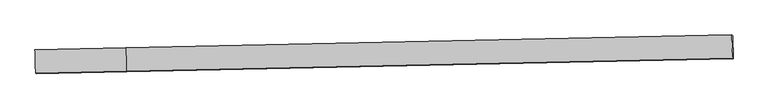
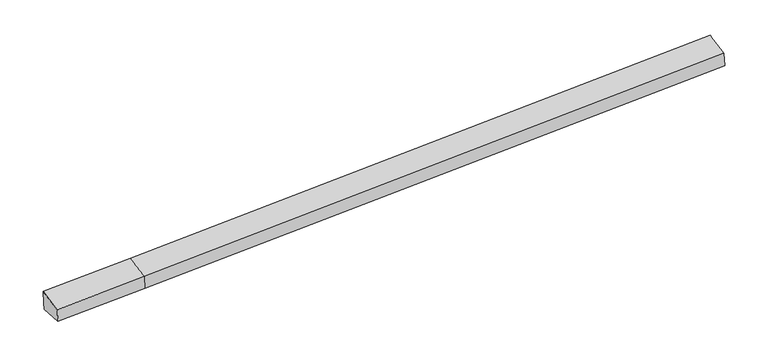
"""IFC4 building model written with IfcOpenShell, lengths in millimetres: proxy geometry."""

from ifc_helpers import new_model, si_unit, frame, origin, place, context, project, spatial, source, transform, mapped, element, save
from ifc_brep_helpers import plane_surface, spline_surface, advanced_brep


def generic_models_4d2af281(model_context):
    return source(origin(), model_context, "Body", "AdvancedBrep", [
        advanced_brep(
        [(-7903.0981588, -2098.3450672, 1864.3392288), (-7887.589825, -2111.4118995, 1481.8644322), (-5157.3207061, -2051.7731271, 1583.5094638), (-5172.7070811, -2038.8090534, 1962.9764482), (-7901.6746122, -1401.9852383, 1457.0565471), (-5171.2071159, -1352.3383907, 1559.0509856), (-7909.570252, -1395.3326215, 1651.783026), (-5179.5076603, -1345.3446141, 1763.7634378), (-7925.5327594, -1381.8831168, 2045.4588958), (-5194.8299362, -1332.4345484, 2141.6495742), (13041.2526327, -952.6796129, 2454.194987), (13025.0766226, -939.0502176, 2853.1363742), (13047.0182626, -1636.7563647, 2674.3890346), (13063.432557, -1650.5865307, 2269.5709551), (13049.7180916, -959.8123412, 2245.4153269)],
        [
            (0, 1),
            (1, 2),
            (2, 3),
            (3, 0),
            (1, 4),
            (4, 5),
            (5, 1),
            (4, 6),
            (6, 7),
            (7, 5),
            (6, 8),
            (8, 9),
            (9, 7),
            (8, 0),
            (3, 9),
            (10, 11),
            (11, 12),
            (12, 13),
            (13, 14),
            (14, 10),
            (5, 2),
            (9, 11),
            (10, 7),
            (3, 12),
            (2, 13),
            (5, 14),
        ],
        [
            plane_surface(frame((-7895.3439919, -2104.8784833, 1673.1018305), z_axis=(0.020523766785867318, -0.9991776690766787, 0.03496799415772846), x_axis=(0.04049046053333832, -0.03411598336940897, -0.9985973273970528))),
            plane_surface(frame((-7894.6322186, -1756.6985689, 1469.4604896), z_axis=(0.037926801880817214, -0.03417033640044965, -0.9986961228568846), x_axis=(-0.01983772833642769, 0.9991924805542585, -0.034940683139830786))),
            plane_surface(frame((-7905.6224321, -1398.6589299, 1554.4197866), z_axis=(-0.01686817036698985, 0.9992511564360917, -0.03482228007473951), x_axis=(-0.040490460533239576, 0.0341159833645688, 0.9985973273972221))),
            plane_surface(frame((-7917.5515057, -1388.6078692, 1848.6209609), z_axis=(-0.016868170366989923, 0.9992511564360917, -0.03482228007473853), x_axis=(-0.040490460533244475, 0.03411598336456773, 0.9985973273972218))),
            spline_surface(1, 1, [[(-7925.5327594, -1381.8831168, 2045.4588958), (-5194.8299362, -1332.4345484, 2141.6495742)], [(-7903.0981588, -2098.3450672, 1864.3392288), (-5172.7070811, -2038.8090534, 1962.9764482)]], [2, 2], [2, 2], [0.0, 1.0], [0.0, 1.0]),
            plane_surface(frame((13046.3113834, -1296.5513635, 2510.6279227), z_axis=(0.9989829764016283, 0.021224666850069296, 0.03978098008907791), x_axis=(-0.04049046053324213, 0.03411598336457363, 0.9985973273972217))),
            plane_surface(frame((-7904.4738389, -1748.4063304, 1712.179776), z_axis=(-0.9989829764016284, -0.021224666850054766, -0.0397809800890805), x_axis=(-0.03034404329539868, 0.9690545795184603, 0.24497440876709373))),
            plane_surface(frame((-7887.589825, -2111.4118995, 1481.8644322), z_axis=(0.037926801880817256, -0.03417033640044976, -0.9986961228568847), x_axis=(-0.019837728336417164, 0.9991924805542587, -0.0349406831398305))),
            plane_surface(frame((-5187.1687983, -1338.8895813, 1952.706506), z_axis=(-0.020208292932744426, 0.9991845386641304, -0.03495543722074991), x_axis=(-0.04049046053324101, 0.034115983364573756, 0.9985973273972218))),
            spline_surface(1, 1, [[(-5194.8299362, -1332.4345484, 2141.6495742), (13025.0766226, -939.0502176, 2853.1363742)], [(-5172.7070811, -2038.8090534, 1962.9764482), (13047.0182626, -1636.7563647, 2674.3890346)]], [2, 2], [2, 2], [0.0, 1.0], [0.0, 1.0]),
            plane_surface(frame((-5165.0138936, -2045.2910903, 1773.242956), z_axis=(0.020683049331500836, -0.999174162752587, 0.034974332845926756), x_axis=(0.04049046053323003, -0.03411598336457394, -0.9985973273972223))),
            plane_surface(frame((-5164.263911, -1702.0557589, 1571.2802247), z_axis=(0.03835521903932568, -0.03416126940368973, -0.9986800713167227), x_axis=(-0.01983772833642321, 0.9991924805542586, -0.03494068313983075))),
            plane_surface(frame((-5175.3573881, -1348.8415024, 1661.4072117), z_axis=(-0.020208292932744357, 0.9991845386641303, -0.03495543722074964), x_axis=(-0.040490460533244295, 0.034115983364573416, 0.9985973273972217))),
        ],
        [
            (0, [[1, 2, 3, 4]]),
            (1, [[5, 6, 7]]),
            (2, [[8, 9, 10, -6]]),
            (3, [[11, 12, 13, -9]]),
            (4, [[14, -4, 15, -12]]),
            (5, [[16, 17, 18, 19, 20]]),
            (6, [[-14, -11, -8, -5, -1]]),
            (7, [[21, -2, -7]]),
            (8, [[-13, 22, -16, 23]]),
            (9, [[-15, 24, -17, -22]]),
            (10, [[-3, 25, -18, -24]]),
            (11, [[-21, 26, -19, -25]]),
            (12, [[-10, -23, -20, -26]]),
        ],
    ),
    ])


if __name__ == "__main__":
    model = new_model("IFC4")
    model_context = context("Model", 3, world=origin())
    ifc_project = project(units=[si_unit("LENGTHUNIT", "METRE", prefix="MILLI")], contexts=[model_context])
    site = spatial("IfcSite", under=ifc_project)
    building = spatial("IfcBuilding", under=site)
    placement = place(None, origin())
    generic_models_shape = generic_models_4d2af281(model_context)
    element("IfcBuildingElementProxy", 1, Name="Generic Models", at=placement, inside=building, context=model_context, shape_type="MappedRepresentation", body=[
        mapped(generic_models_shape, transform((0.0, 0.0, 0.0), x_axis=(1.0, 0.0, 0.0), y_axis=(0.0, 1.0, 0.0), z_axis=(0.0, 0.0, 1.0))),
    ])
    save(model, "model.ifc")
